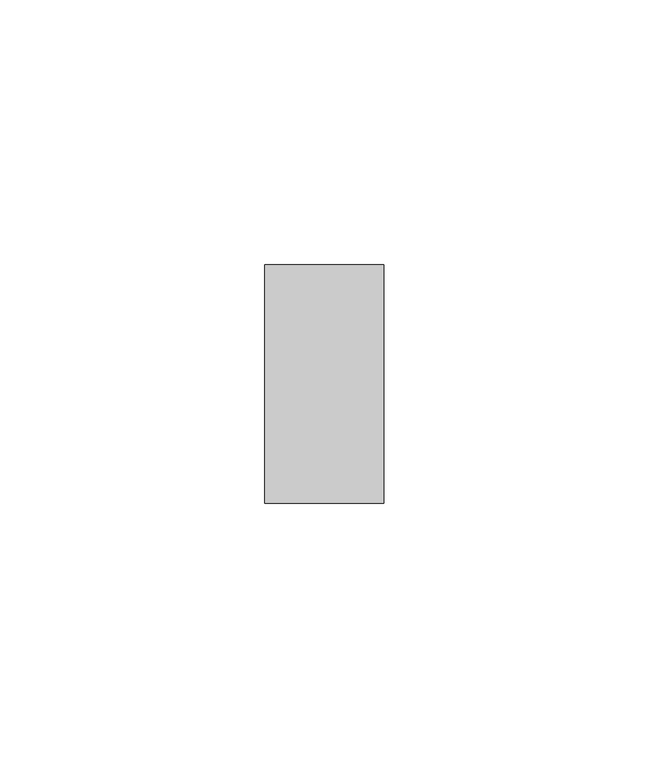
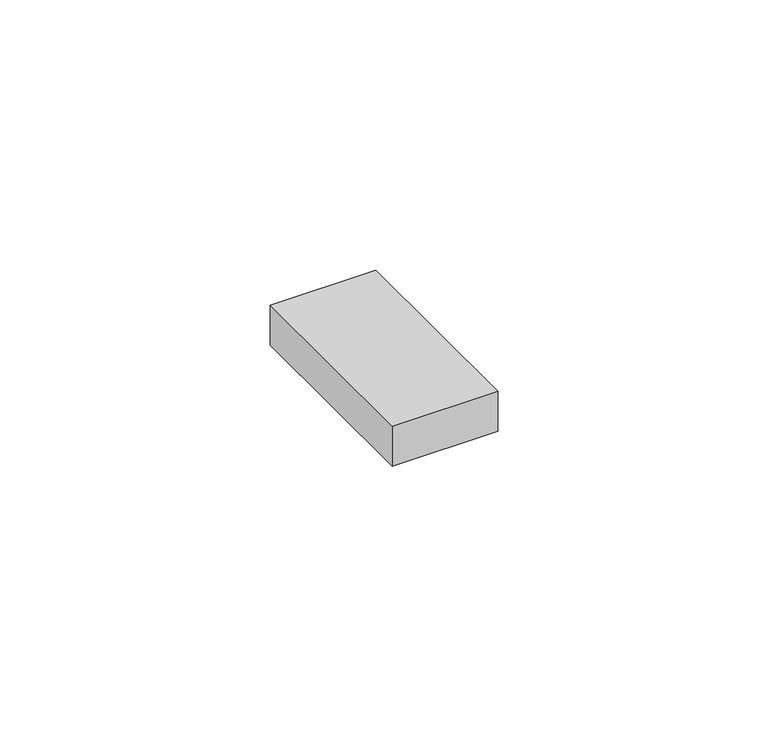
"""IFC4 building model written with IfcOpenShell, lengths in millimetres: proxy geometry."""

from ifc_helpers import new_model, si_unit, origin, origin_with_axes, place, context, project, spatial, polyline, outline, extrude, source, transform, mapped, element, save


def electrical_fixtures_d580608b(model_context):
    return source(origin(), model_context, "Body", "SweptSolid", [
        extrude(outline(polyline([(22.5, 45.0), (22.5, 0.0), (0.0, 0.0), (0.0, 45.0), (22.5, 45.0)])), origin_with_axes(), (0.0, 0.0, 1.0), 9.0),
    ])


if __name__ == "__main__":
    model = new_model("IFC4")
    model_context = context("Model", 3, world=origin())
    ifc_project = project(units=[si_unit("LENGTHUNIT", "METRE", prefix="MILLI")], contexts=[model_context])
    site = spatial("IfcSite", under=ifc_project)
    building = spatial("IfcBuilding", under=site)
    placement = place(None, origin())
    electrical_fixtures_shape = electrical_fixtures_d580608b(model_context)
    element("IfcBuildingElementProxy", 1, Name="Electrical Fixtures", at=placement, inside=building, context=model_context, shape_type="MappedRepresentation", body=[
        mapped(electrical_fixtures_shape, transform((0.0, 0.0, 0.0), x_axis=(1.0, 0.0, 0.0), y_axis=(0.0, 1.0, 0.0), z_axis=(0.0, 0.0, 1.0))),
    ])
    save(model, "model.ifc")
